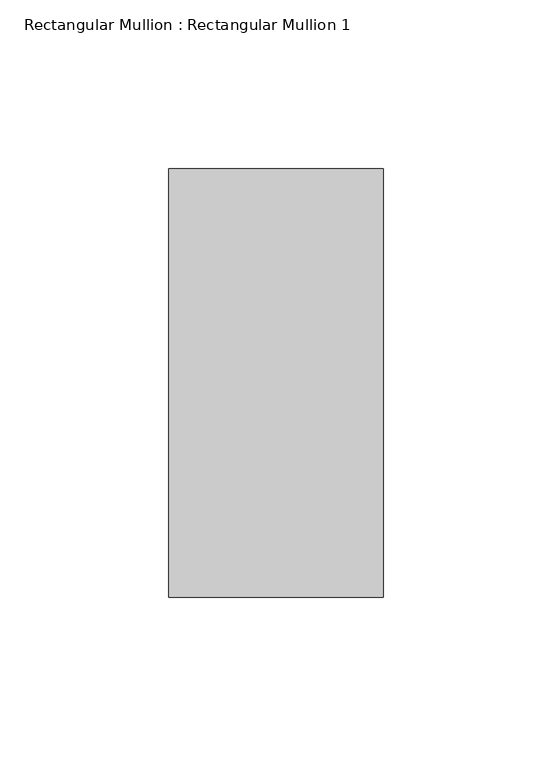
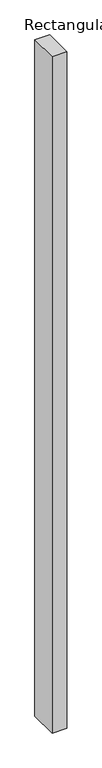
"""IFC4 building model written with IfcOpenShell, lengths in millimetres: member geometry, Rectangular Mullion : Rectangular Mullion 1."""

from ifc_helpers import new_model, si_unit, frame, origin, place, context, project, spatial, polyline, outline, extrude, source, transform, mapped, element, save


def rectangular_mullion_rectangular_mullion_1_eaba9652(model_context):
    return source(origin(), model_context, "Body", "SweptSolid", [
        extrude(outline(polyline([(31.75, 63.5), (31.75, -63.5), (-31.75, -63.5), (-31.75, 63.5), (31.75, 63.5)])), frame((0.0, 0.0, -3048.0), z_axis=(0.0, 0.0, 1.0), x_axis=(1.0, 0.0, 0.0)), (0.0, 0.0, 1.0), 3048.0),
    ])


if __name__ == "__main__":
    model = new_model("IFC4")
    model_context = context("Model", 3, world=origin())
    ifc_project = project(units=[si_unit("LENGTHUNIT", "METRE", prefix="MILLI")], contexts=[model_context])
    site = spatial("IfcSite", under=ifc_project)
    building = spatial("IfcBuilding", under=site)
    placement = place(None, origin())
    rectangular_mullion_rectangular_mullion_1_shape = rectangular_mullion_rectangular_mullion_1_eaba9652(model_context)
    element("IfcMember", 1, ObjectType="Rectangular Mullion : Rectangular Mullion 1", at=placement, inside=building, context=model_context, shape_type="MappedRepresentation", body=[
        mapped(rectangular_mullion_rectangular_mullion_1_shape, transform((0.0, 0.0, 0.0), x_axis=(1.0, 0.0, 0.0), y_axis=(0.0, 1.0, 0.0), z_axis=(0.0, 0.0, 1.0))),
    ])
    save(model, "model.ifc")
